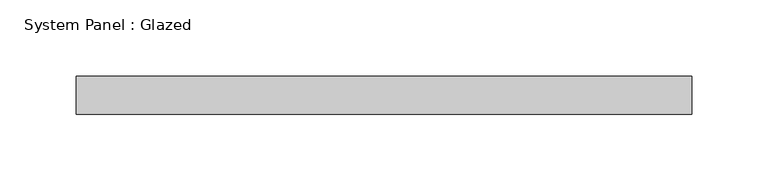
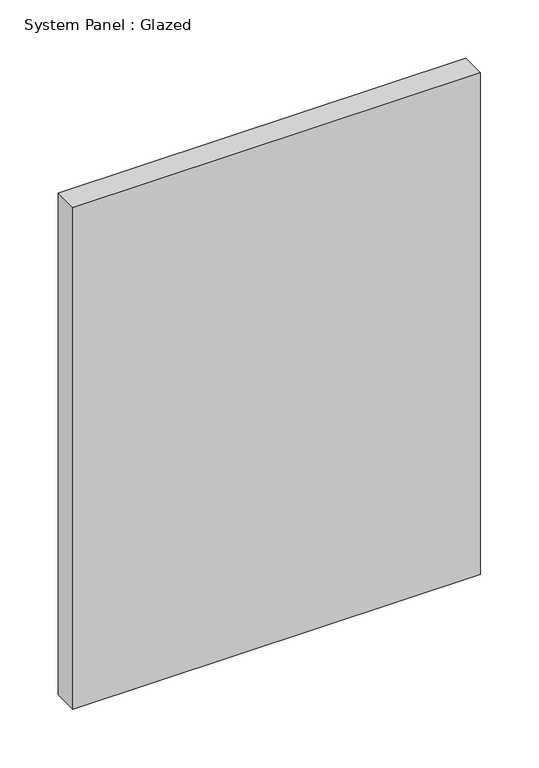
"""IFC4 building model written with IfcOpenShell, lengths in millimetres: plate geometry, System Panel : Glazed."""

from ifc_helpers import new_model, si_unit, origin, origin_with_axes, place, context, project, spatial, polyline, outline, extrude, source, transform, mapped, element, save


def system_panel_glazed_b43f6053(model_context):
    return source(origin(), model_context, "Body", "SweptSolid", [
        extrude(outline(polyline([(201.5945923, -49.5), (-201.5945923, -49.5), (-201.5945923, -24.5), (201.5945923, -24.5), (201.5945923, -49.5)])), origin_with_axes(), (0.0, 0.0, 1.0), 525.0),
    ])


if __name__ == "__main__":
    model = new_model("IFC4")
    model_context = context("Model", 3, world=origin())
    ifc_project = project(units=[si_unit("LENGTHUNIT", "METRE", prefix="MILLI")], contexts=[model_context])
    site = spatial("IfcSite", under=ifc_project)
    building = spatial("IfcBuilding", under=site)
    placement = place(None, origin())
    system_panel_glazed_shape = system_panel_glazed_b43f6053(model_context)
    element("IfcPlate", 1, ObjectType="System Panel : Glazed", at=placement, inside=building, context=model_context, shape_type="MappedRepresentation", body=[
        mapped(system_panel_glazed_shape, transform((0.0, 0.0, 0.0), x_axis=(1.0, 0.0, 0.0), y_axis=(0.0, 1.0, 0.0), z_axis=(0.0, 0.0, 1.0))),
    ])
    save(model, "model.ifc")
